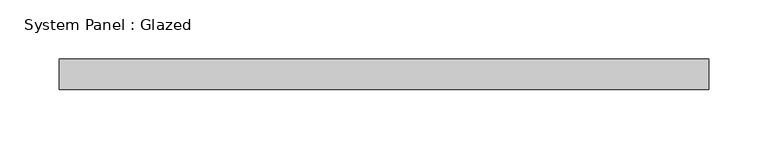
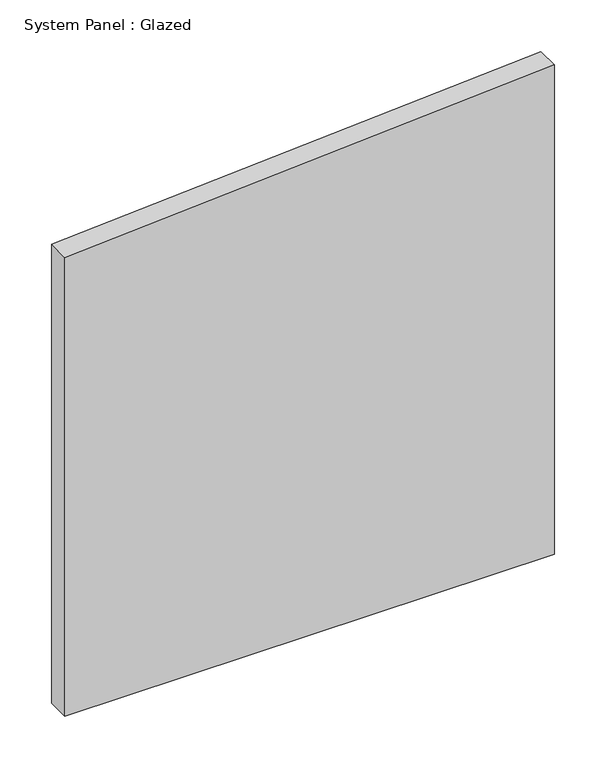
"""IFC4 building model written with IfcOpenShell, lengths in millimetres: plate geometry, System Panel : Glazed."""

import ifcopenshell
import ifcopenshell.guid

model = None  # the IFC model being written
_history = None  # IfcOwnerHistory: only IFC2X3 demands one
_inside = {}  # id of a spatial element -> (the spatial element, [elements in it])
_under = {}  # id of a project, library or spatial element -> (it, [spatial elements below it])
_declared = {}  # id of a project -> (the project, [libraries it declares])
_typed = {}  # id of a type object -> (the type object, [elements of that type])
_made_of = {}  # id of a material, layer set ... -> (it, [elements and type objects made of it])


def new_model(schema):
    """Start an empty IFC model of exactly this schema.

    Asked for "IFC4X3", IfcOpenShell would pick the latest addendum, in which some entities
    have other attributes; the version numbers below select the first issue.
    IFC2X3 requires an IfcOwnerHistory on every rooted entity: one is made here for all.
    """
    global model, _history
    if schema == "IFC4X3":
        model = ifcopenshell.file(schema_version=(4, 3, 0, 0))
    else:
        model = ifcopenshell.file(schema=schema)
    _inside.clear()
    _under.clear()
    _declared.clear()
    _typed.clear()
    _made_of.clear()
    _history = None
    if model.schema == "IFC2X3":
        org = make("IfcOrganization", Name="unknown")
        user = make(
            "IfcPersonAndOrganization",
            ThePerson=make("IfcPerson", FamilyName="unknown"),
            TheOrganization=org,
        )
        app = make(
            "IfcApplication",
            ApplicationDeveloper=org,
            Version="unknown",
            ApplicationFullName="unknown",
            ApplicationIdentifier="unknown",
        )
        _history = make(
            "IfcOwnerHistory",
            OwningUser=user,
            OwningApplication=app,
            ChangeAction="ADDED",
            CreationDate=0,
        )
    return model


def make(cls, **values):
    """One entity of the class cls with the attributes given. An attribute that is None is left unset."""
    return model.create_entity(
        cls, **{name: value for name, value in values.items() if value is not None}
    )


def rooted(cls, **values):
    """An entity with a GlobalId (a new one), such as an element, a storey or a relation."""
    return make(cls, GlobalId=ifcopenshell.guid.new(), OwnerHistory=_history, **values)


def si_unit(unit_type, name, prefix=None):
    """IfcSIUnit, for example si_unit("LENGTHUNIT", "METRE", prefix="MILLI")."""
    return make("IfcSIUnit", UnitType=unit_type, Prefix=prefix, Name=name)


def assignment(units):
    """IfcUnitAssignment: the units of a project."""
    return None if units is None else make("IfcUnitAssignment", Units=units)


def point(xyz):
    """IfcCartesianPoint."""
    return None if xyz is None else make("IfcCartesianPoint", Coordinates=xyz)


def direction(xyz):
    """IfcDirection."""
    return None if xyz is None else make("IfcDirection", DirectionRatios=xyz)


def frame(location, z_axis=None, x_axis=None):
    """IfcAxis2Placement3D, a coordinate frame: its origin and axes. An axis left out is left unset."""
    return make(
        "IfcAxis2Placement3D",
        Location=point(location),
        Axis=direction(z_axis),
        RefDirection=direction(x_axis),
    )


def origin():
    """The frame at (0, 0, 0) with its axes left unset."""
    return frame((0.0, 0.0, 0.0))


def place(relative_to, where):
    """IfcLocalPlacement: puts the frame where relative to a parent placement (None: the world)."""
    return make(
        "IfcLocalPlacement", PlacementRelTo=relative_to, RelativePlacement=where
    )


def context(
    kind, dimensions, precision=None, world=None, true_north=None, identifier=None
):
    """IfcGeometricRepresentationContext, for example the 3D "Model" context."""
    return make(
        "IfcGeometricRepresentationContext",
        ContextIdentifier=identifier,
        ContextType=kind,
        CoordinateSpaceDimension=dimensions,
        Precision=precision,
        WorldCoordinateSystem=world,
        TrueNorth=true_north,
    )


def project(units=None, contexts=None):
    """IfcProject with its units and contexts."""
    return rooted(
        "IfcProject",
        Name="project",
        RepresentationContexts=contexts,
        UnitsInContext=assignment(units),
    )


def spatial(cls, under=None, at=None, **own):
    """A site, building, storey or space (cls), placed at a placement, below another one or the project."""
    s = rooted(cls, ObjectPlacement=at, **own)
    if under is not None:
        _under.setdefault(under.id(), (under, []))[1].append(s)
    return s


def polyline(points):
    """IfcPolyline through the points."""
    return make("IfcPolyline", Points=[point(p) for p in points])


def outline(outer, holes=None, kind="AREA"):
    """IfcArbitraryClosedProfileDef: a profile drawn as a closed curve; with holes, ...WithVoids."""
    if holes is None:
        return make("IfcArbitraryClosedProfileDef", ProfileType=kind, OuterCurve=outer)
    return make(
        "IfcArbitraryProfileDefWithVoids",
        ProfileType=kind,
        OuterCurve=outer,
        InnerCurves=holes,
    )


def extrude(swept, where, along, depth):
    """IfcExtrudedAreaSolid: the profile swept, set in the frame where, extruded along a direction by depth."""
    return make(
        "IfcExtrudedAreaSolid",
        SweptArea=swept,
        Position=where,
        ExtrudedDirection=direction(along),
        Depth=depth,
    )


def shape(context_of_items, identifier, shape_type, items):
    """IfcShapeRepresentation: the items that make up one representation, for example the "Body"."""
    return make(
        "IfcShapeRepresentation",
        ContextOfItems=context_of_items,
        RepresentationIdentifier=identifier,
        RepresentationType=shape_type,
        Items=items,
    )


def source(mapping_origin, context_of_items, identifier, shape_type, items):
    """IfcRepresentationMap: a shape defined once, which mapped items show again and again."""
    return make(
        "IfcRepresentationMap",
        MappingOrigin=mapping_origin,
        MappedRepresentation=shape(context_of_items, identifier, shape_type, items),
    )


def transform(
    local_origin,
    x_axis=None,
    y_axis=None,
    z_axis=None,
    scale=None,
    scale2=None,
    scale3=None,
    uniform=True,
):
    """IfcCartesianTransformationOperator3D, or its non-uniform kind. x_axis, y_axis, z_axis: its Axis1, 2, 3."""
    if uniform:
        return make(
            "IfcCartesianTransformationOperator3D",
            Axis1=direction(x_axis),
            Axis2=direction(y_axis),
            LocalOrigin=point(local_origin),
            Scale=scale,
            Axis3=direction(z_axis),
        )
    return make(
        "IfcCartesianTransformationOperator3DnonUniform",
        Axis1=direction(x_axis),
        Axis2=direction(y_axis),
        LocalOrigin=point(local_origin),
        Scale=scale,
        Axis3=direction(z_axis),
        Scale2=scale2,
        Scale3=scale3,
    )


def mapped(mapping_source, mapping_target):
    """IfcMappedItem: shows the shape of a source again, moved by a transform."""
    return make(
        "IfcMappedItem", MappingSource=mapping_source, MappingTarget=mapping_target
    )


def made_of(thing, what):
    """Note that an element or type object is made of a material, layer set ...; save() writes the relation."""
    if what is not None:
        _made_of.setdefault(what.id(), (what, []))[1].append(thing)
    return thing


def element(
    cls,
    number,
    at=None,
    inside=None,
    cuts=None,
    type_object=None,
    material=None,
    context=None,
    identifier="Body",
    shape_type=None,
    held_by="IfcProductDefinitionShape",
    body=None,
    shapes=None,
    **own,
):
    """One element of the class cls, such as IfcWall. Its Tag is "e" and its number.

    at: its placement. inside: the storey or other place that contains it. cuts: it is an
    opening in that element (IfcRelVoidsElement). A single representation is given by context,
    identifier, shape_type and body (its items); several are given by shapes. held_by: the class
    of the entity that holds the representations. save() writes the other relations.
    """
    e = rooted(cls, Tag="e%d" % number, ObjectPlacement=at, **own)
    if body is not None:
        shapes = [shape(context, identifier, shape_type, body)]
    if shapes is not None:
        e.Representation = make(held_by, Representations=shapes)
    if inside is not None:
        _inside.setdefault(inside.id(), (inside, []))[1].append(e)
    if cuts is not None:
        rooted(
            "IfcRelVoidsElement", RelatingBuildingElement=cuts, RelatedOpeningElement=e
        )
    if type_object is not None:
        _typed.setdefault(type_object.id(), (type_object, []))[1].append(e)
    return made_of(e, material)


def aggregate(whole, parts):
    """IfcRelAggregates: a whole, such as a stair, and the parts it consists of."""
    return rooted("IfcRelAggregates", RelatingObject=whole, RelatedObjects=parts)


def save(model, path):
    """Write the relations noted so far, then the file.

    IfcRelAggregates (storeys below a building ...), IfcRelContainedInSpatialStructure (elements
    in a storey), IfcRelDefinesByType, IfcRelAssociatesMaterial and IfcRelDeclares: one each for
    every whole, place, type object, material and project.
    """
    for whole, parts in _under.values():
        aggregate(whole, parts)
    for where, things in _inside.values():
        rooted(
            "IfcRelContainedInSpatialStructure",
            RelatedElements=things,
            RelatingStructure=where,
        )
    for kind, things in _typed.values():
        rooted("IfcRelDefinesByType", RelatedObjects=things, RelatingType=kind)
    for what, things in _made_of.values():
        rooted("IfcRelAssociatesMaterial", RelatedObjects=things, RelatingMaterial=what)
    for by, libraries in _declared.values():
        rooted("IfcRelDeclares", RelatingContext=by, RelatedDefinitions=libraries)
    model.write(path)


def system_panel_glazed_5e5bb4f3(model_context):
    return source(origin(), model_context, "Body", "SweptSolid", [
        extrude(outline(polyline([(0.0, -273.05), (0.0, 273.05), (576.8580469, 273.05), (540.8189856, -273.05), (0.0, -273.05)])), frame((0.0, 19.05, 0.0), z_axis=(0.0, 1.0, 0.0), x_axis=(0.0, 0.0, 1.0)), (0.0, 0.0, 1.0), 25.4),
    ])


if __name__ == "__main__":
    model = new_model("IFC4")
    model_context = context("Model", 3, world=origin())
    ifc_project = project(units=[si_unit("LENGTHUNIT", "METRE", prefix="MILLI")], contexts=[model_context])
    site = spatial("IfcSite", under=ifc_project)
    building = spatial("IfcBuilding", under=site)
    placement = place(None, origin())
    system_panel_glazed_shape = system_panel_glazed_5e5bb4f3(model_context)
    element("IfcPlate", 1, ObjectType="System Panel : Glazed", at=placement, inside=building, context=model_context, shape_type="MappedRepresentation", body=[
        mapped(system_panel_glazed_shape, transform((0.0, 0.0, 0.0), x_axis=(1.0, 0.0, 0.0), y_axis=(0.0, 1.0, 0.0), z_axis=(0.0, 0.0, 1.0))),
    ])
    save(model, "model.ifc")
